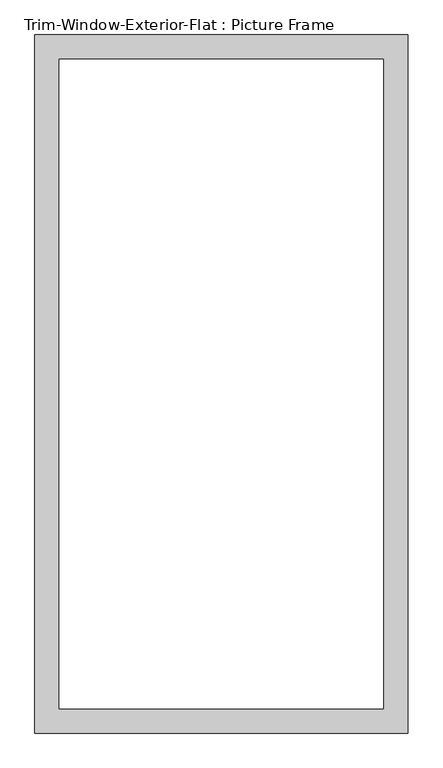
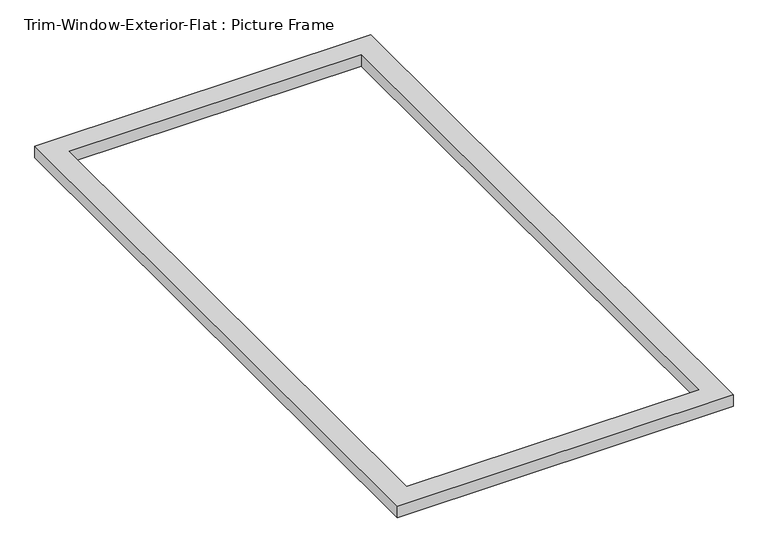
"""IFC4 building model written with IfcOpenShell, lengths in millimetres: proxy geometry, Trim-Window-Exterior-Flat : Picture Frame."""

from ifc_helpers import new_model, si_unit, origin, origin_with_axes, place, context, project, spatial, polyline, outline, extrude, source, transform, mapped, element, save


def trim_window_exterior_flat_picture_frame_cf08b5ec(model_context):
    return source(origin(), model_context, "Body", "SweptSolid", [
        extrude(outline(polyline([(438.15, 57.15), (438.15, -1581.15), (-438.15, -1581.15), (-438.15, 57.15), (438.15, 57.15)]), holes=[polyline([(381.0, 0.0), (-381.0, 0.0), (-381.0, -1524.0), (381.0, -1524.0), (381.0, 0.0)])]), origin_with_axes(), (0.0, 0.0, 1.0), 31.75),
    ])


if __name__ == "__main__":
    model = new_model("IFC4")
    model_context = context("Model", 3, world=origin())
    ifc_project = project(units=[si_unit("LENGTHUNIT", "METRE", prefix="MILLI")], contexts=[model_context])
    site = spatial("IfcSite", under=ifc_project)
    building = spatial("IfcBuilding", under=site)
    placement = place(None, origin())
    trim_window_exterior_flat_picture_frame_shape = trim_window_exterior_flat_picture_frame_cf08b5ec(model_context)
    element("IfcBuildingElementProxy", 1, Name="Trim-Window-Exterior-Flat : Picture Frame", ObjectType="Trim-Window-Exterior-Flat : Picture Frame", at=placement, inside=building, context=model_context, shape_type="MappedRepresentation", body=[
        mapped(trim_window_exterior_flat_picture_frame_shape, transform((0.0, 0.0, 0.0), x_axis=(1.0, 0.0, 0.0), y_axis=(0.0, 1.0, 0.0), z_axis=(0.0, 0.0, 1.0))),
    ])
    save(model, "model.ifc")
